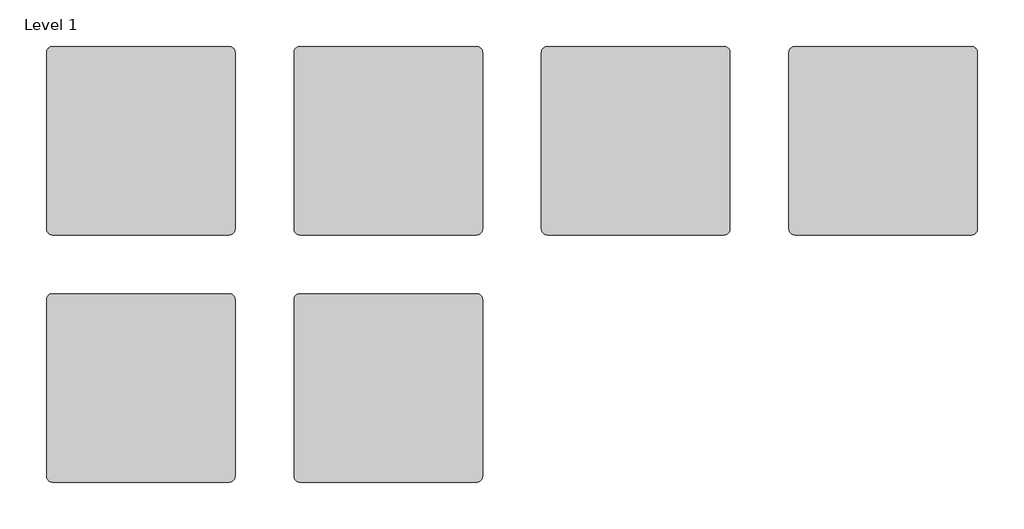
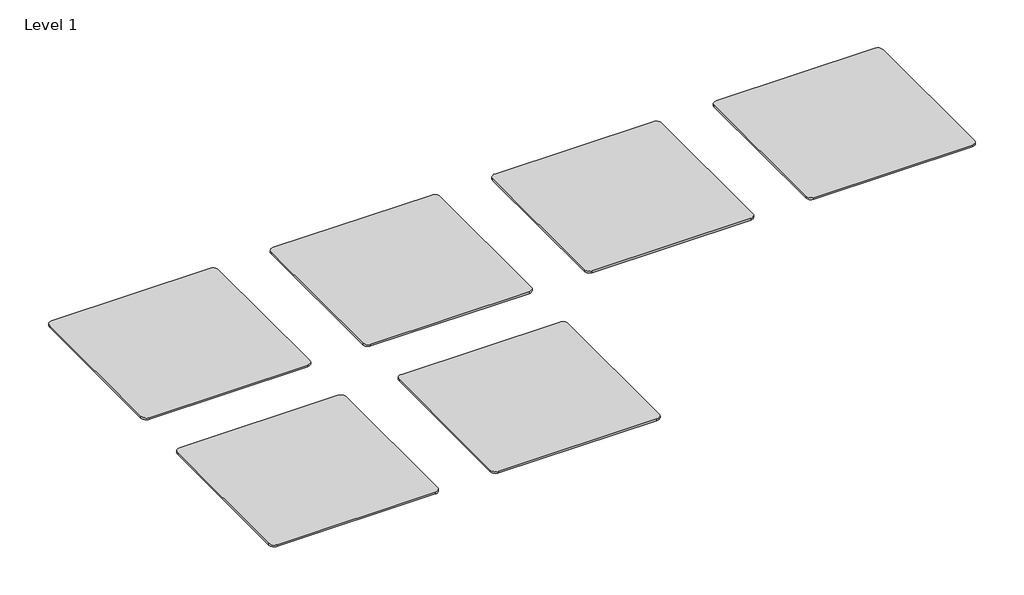
# One storey: 6 proxies.
"""IFC4 building model written with IfcOpenShell, lengths in millimetres."""

import ifcopenshell
import ifcopenshell.guid

model = None  # the IFC model being written
_history = None  # IfcOwnerHistory: only IFC2X3 demands one
_inside = {}  # id of a spatial element -> (the spatial element, [elements in it])
_under = {}  # id of a project, library or spatial element -> (it, [spatial elements below it])
_declared = {}  # id of a project -> (the project, [libraries it declares])
_typed = {}  # id of a type object -> (the type object, [elements of that type])
_made_of = {}  # id of a material, layer set ... -> (it, [elements and type objects made of it])


def new_model(schema):
    """Start an empty IFC model of exactly this schema.

    Asked for "IFC4X3", IfcOpenShell would pick the latest addendum, in which some entities
    have other attributes; the version numbers below select the first issue.
    IFC2X3 requires an IfcOwnerHistory on every rooted entity: one is made here for all.
    """
    global model, _history
    if schema == "IFC4X3":
        model = ifcopenshell.file(schema_version=(4, 3, 0, 0))
    else:
        model = ifcopenshell.file(schema=schema)
    _inside.clear()
    _under.clear()
    _declared.clear()
    _typed.clear()
    _made_of.clear()
    _history = None
    if model.schema == "IFC2X3":
        org = make("IfcOrganization", Name="unknown")
        user = make(
            "IfcPersonAndOrganization",
            ThePerson=make("IfcPerson", FamilyName="unknown"),
            TheOrganization=org,
        )
        app = make(
            "IfcApplication",
            ApplicationDeveloper=org,
            Version="unknown",
            ApplicationFullName="unknown",
            ApplicationIdentifier="unknown",
        )
        _history = make(
            "IfcOwnerHistory",
            OwningUser=user,
            OwningApplication=app,
            ChangeAction="ADDED",
            CreationDate=0,
        )
    return model


def make(cls, **values):
    """One entity of the class cls with the attributes given. An attribute that is None is left unset."""
    return model.create_entity(
        cls, **{name: value for name, value in values.items() if value is not None}
    )


def rooted(cls, **values):
    """An entity with a GlobalId (a new one), such as an element, a storey or a relation."""
    return make(cls, GlobalId=ifcopenshell.guid.new(), OwnerHistory=_history, **values)


def si_unit(unit_type, name, prefix=None):
    """IfcSIUnit, for example si_unit("LENGTHUNIT", "METRE", prefix="MILLI")."""
    return make("IfcSIUnit", UnitType=unit_type, Prefix=prefix, Name=name)


def assignment(units):
    """IfcUnitAssignment: the units of a project."""
    return None if units is None else make("IfcUnitAssignment", Units=units)


def point(xyz):
    """IfcCartesianPoint."""
    return None if xyz is None else make("IfcCartesianPoint", Coordinates=xyz)


def direction(xyz):
    """IfcDirection."""
    return None if xyz is None else make("IfcDirection", DirectionRatios=xyz)


def frame(location, z_axis=None, x_axis=None):
    """IfcAxis2Placement3D, a coordinate frame: its origin and axes. An axis left out is left unset."""
    return make(
        "IfcAxis2Placement3D",
        Location=point(location),
        Axis=direction(z_axis),
        RefDirection=direction(x_axis),
    )


def frame_2d(location, x_axis=None):
    """IfcAxis2Placement2D, a coordinate frame in the plane: its origin and x axis."""
    return make(
        "IfcAxis2Placement2D", Location=point(location), RefDirection=direction(x_axis)
    )


def origin():
    """The frame at (0, 0, 0) with its axes left unset."""
    return frame((0.0, 0.0, 0.0))


def origin_with_axes():
    """The frame at (0, 0, 0) with the z axis (0, 0, 1) and the x axis (1, 0, 0) written out."""
    return frame((0.0, 0.0, 0.0), z_axis=(0.0, 0.0, 1.0), x_axis=(1.0, 0.0, 0.0))


def place(relative_to, where):
    """IfcLocalPlacement: puts the frame where relative to a parent placement (None: the world)."""
    return make(
        "IfcLocalPlacement", PlacementRelTo=relative_to, RelativePlacement=where
    )


def context(
    kind, dimensions, precision=None, world=None, true_north=None, identifier=None
):
    """IfcGeometricRepresentationContext, for example the 3D "Model" context."""
    return make(
        "IfcGeometricRepresentationContext",
        ContextIdentifier=identifier,
        ContextType=kind,
        CoordinateSpaceDimension=dimensions,
        Precision=precision,
        WorldCoordinateSystem=world,
        TrueNorth=true_north,
    )


def project(units=None, contexts=None):
    """IfcProject with its units and contexts."""
    return rooted(
        "IfcProject",
        Name="project",
        RepresentationContexts=contexts,
        UnitsInContext=assignment(units),
    )


def spatial(cls, under=None, at=None, **own):
    """A site, building, storey or space (cls), placed at a placement, below another one or the project."""
    s = rooted(cls, ObjectPlacement=at, **own)
    if under is not None:
        _under.setdefault(under.id(), (under, []))[1].append(s)
    return s


def polyline(points):
    """IfcPolyline through the points."""
    return make("IfcPolyline", Points=[point(p) for p in points])


def circle_curve(where, radius):
    """IfcCircle in the frame where."""
    return make("IfcCircle", Position=where, Radius=radius)


def trimmed(basis, trim1, trim2, sense, master):
    """IfcTrimmedCurve: the piece of a basis curve between two trims."""
    return make(
        "IfcTrimmedCurve",
        BasisCurve=basis,
        Trim1=trim1,
        Trim2=trim2,
        SenseAgreement=sense,
        MasterRepresentation=master,
    )


def segment(curve, same_sense, transition):
    """IfcCompositeCurveSegment."""
    return make(
        "IfcCompositeCurveSegment",
        Transition=transition,
        SameSense=same_sense,
        ParentCurve=curve,
    )


def composite_curve(segments, self_intersect=None):
    """IfcCompositeCurve: segments joined end to end."""
    return make("IfcCompositeCurve", Segments=segments, SelfIntersect=self_intersect)


def outline(outer, holes=None, kind="AREA"):
    """IfcArbitraryClosedProfileDef: a profile drawn as a closed curve; with holes, ...WithVoids."""
    if holes is None:
        return make("IfcArbitraryClosedProfileDef", ProfileType=kind, OuterCurve=outer)
    return make(
        "IfcArbitraryProfileDefWithVoids",
        ProfileType=kind,
        OuterCurve=outer,
        InnerCurves=holes,
    )


def extrude(swept, where, along, depth):
    """IfcExtrudedAreaSolid: the profile swept, set in the frame where, extruded along a direction by depth."""
    return make(
        "IfcExtrudedAreaSolid",
        SweptArea=swept,
        Position=where,
        ExtrudedDirection=direction(along),
        Depth=depth,
    )


def shape(context_of_items, identifier, shape_type, items):
    """IfcShapeRepresentation: the items that make up one representation, for example the "Body"."""
    return make(
        "IfcShapeRepresentation",
        ContextOfItems=context_of_items,
        RepresentationIdentifier=identifier,
        RepresentationType=shape_type,
        Items=items,
    )


def source(mapping_origin, context_of_items, identifier, shape_type, items):
    """IfcRepresentationMap: a shape defined once, which mapped items show again and again."""
    return make(
        "IfcRepresentationMap",
        MappingOrigin=mapping_origin,
        MappedRepresentation=shape(context_of_items, identifier, shape_type, items),
    )


def transform(
    local_origin,
    x_axis=None,
    y_axis=None,
    z_axis=None,
    scale=None,
    scale2=None,
    scale3=None,
    uniform=True,
):
    """IfcCartesianTransformationOperator3D, or its non-uniform kind. x_axis, y_axis, z_axis: its Axis1, 2, 3."""
    if uniform:
        return make(
            "IfcCartesianTransformationOperator3D",
            Axis1=direction(x_axis),
            Axis2=direction(y_axis),
            LocalOrigin=point(local_origin),
            Scale=scale,
            Axis3=direction(z_axis),
        )
    return make(
        "IfcCartesianTransformationOperator3DnonUniform",
        Axis1=direction(x_axis),
        Axis2=direction(y_axis),
        LocalOrigin=point(local_origin),
        Scale=scale,
        Axis3=direction(z_axis),
        Scale2=scale2,
        Scale3=scale3,
    )


def mapped(mapping_source, mapping_target):
    """IfcMappedItem: shows the shape of a source again, moved by a transform."""
    return make(
        "IfcMappedItem", MappingSource=mapping_source, MappingTarget=mapping_target
    )


def made_of(thing, what):
    """Note that an element or type object is made of a material, layer set ...; save() writes the relation."""
    if what is not None:
        _made_of.setdefault(what.id(), (what, []))[1].append(thing)
    return thing


def element(
    cls,
    number,
    at=None,
    inside=None,
    cuts=None,
    type_object=None,
    material=None,
    context=None,
    identifier="Body",
    shape_type=None,
    held_by="IfcProductDefinitionShape",
    body=None,
    shapes=None,
    **own,
):
    """One element of the class cls, such as IfcWall. Its Tag is "e" and its number.

    at: its placement. inside: the storey or other place that contains it. cuts: it is an
    opening in that element (IfcRelVoidsElement). A single representation is given by context,
    identifier, shape_type and body (its items); several are given by shapes. held_by: the class
    of the entity that holds the representations. save() writes the other relations.
    """
    e = rooted(cls, Tag="e%d" % number, ObjectPlacement=at, **own)
    if body is not None:
        shapes = [shape(context, identifier, shape_type, body)]
    if shapes is not None:
        e.Representation = make(held_by, Representations=shapes)
    if inside is not None:
        _inside.setdefault(inside.id(), (inside, []))[1].append(e)
    if cuts is not None:
        rooted(
            "IfcRelVoidsElement", RelatingBuildingElement=cuts, RelatedOpeningElement=e
        )
    if type_object is not None:
        _typed.setdefault(type_object.id(), (type_object, []))[1].append(e)
    return made_of(e, material)


def aggregate(whole, parts):
    """IfcRelAggregates: a whole, such as a stair, and the parts it consists of."""
    return rooted("IfcRelAggregates", RelatingObject=whole, RelatedObjects=parts)


def save(model, path):
    """Write the relations noted so far, then the file.

    IfcRelAggregates (storeys below a building ...), IfcRelContainedInSpatialStructure (elements
    in a storey), IfcRelDefinesByType, IfcRelAssociatesMaterial and IfcRelDeclares: one each for
    every whole, place, type object, material and project.
    """
    for whole, parts in _under.values():
        aggregate(whole, parts)
    for where, things in _inside.values():
        rooted(
            "IfcRelContainedInSpatialStructure",
            RelatedElements=things,
            RelatingStructure=where,
        )
    for kind, things in _typed.values():
        rooted("IfcRelDefinesByType", RelatedObjects=things, RelatingType=kind)
    for what, things in _made_of.values():
        rooted("IfcRelAssociatesMaterial", RelatedObjects=things, RelatingMaterial=what)
    for by, libraries in _declared.values():
        rooted("IfcRelDeclares", RelatingContext=by, RelatedDefinitions=libraries)
    model.write(path)


def materialsample_type_1_aebe469f(model_context):
    return source(origin(), model_context, "Body", "SweptSolid", [
        extrude(outline(composite_curve([segment(polyline([(2362.2, 0.0), (76.2, 0.0)]), True, "CONTINUOUS"), segment(trimmed(circle_curve(frame_2d((76.2, 76.2)), 76.2), [point((76.2, 0.0))], [point((0.0, 76.2))], False, "CARTESIAN"), True, "CONTINUOUS"), segment(polyline([(0.0, 76.2), (0.0, 2362.2)]), True, "CONTINUOUS"), segment(trimmed(circle_curve(frame_2d((76.2, 2362.2)), 76.2), [point((0.0, 2362.2))], [point((76.2, 2438.4))], False, "CARTESIAN"), True, "CONTINUOUS"), segment(polyline([(76.2, 2438.4), (2362.2, 2438.4)]), True, "CONTINUOUS"), segment(trimmed(circle_curve(frame_2d((2362.2, 2362.2)), 76.2), [point((2362.2, 2438.4))], [point((2438.4, 2362.2))], False, "CARTESIAN"), True, "CONTINUOUS"), segment(polyline([(2438.4, 2362.2), (2438.4, 76.2)]), True, "CONTINUOUS"), segment(trimmed(circle_curve(frame_2d((2362.2, 76.2)), 76.2), [point((2438.4, 76.2))], [point((2362.2, 0.0))], False, "CARTESIAN"), True, "CONTINUOUS")], self_intersect=False)), origin_with_axes(), (0.0, 0.0, 1.0), 25.4),
    ])


model = new_model("IFC4")

# Units and contexts
model_context = context("Model", 3, world=origin())
ifc_project = project(units=[si_unit("LENGTHUNIT", "METRE", prefix="MILLI")], contexts=[model_context])

# Site, building, storey
site = spatial("IfcSite", under=ifc_project)
building = spatial("IfcBuilding", under=site)
storey = spatial("IfcBuildingStorey", under=building, Name="Level 1", Elevation=0.0)

# Proxies
placement = place(None, origin())
materialsample_type_1_shape = materialsample_type_1_aebe469f(model_context)
element("IfcBuildingElementProxy", 1, Name="MaterialSample : Type 1", ObjectType="MaterialSample : Type 1", at=placement, inside=storey, context=model_context, shape_type="MappedRepresentation", body=[
    mapped(materialsample_type_1_shape, transform((0.0, 0.0, 0.0), x_axis=(1.0, 0.0, 0.0), y_axis=(0.0, 1.0, 0.0), z_axis=(0.0, 0.0, 1.0))),
])
element("IfcBuildingElementProxy", 2, Name="MaterialSample : Type 1", ObjectType="MaterialSample : Type 1", at=placement, inside=storey, context=model_context, shape_type="MappedRepresentation", body=[
    mapped(materialsample_type_1_shape, transform((0.0, -3200.4, 0.0), x_axis=(1.0, 0.0, 0.0), y_axis=(0.0, 1.0, 0.0), z_axis=(0.0, 0.0, 1.0))),
])
element("IfcBuildingElementProxy", 3, Name="MaterialSample : Type 1", ObjectType="MaterialSample : Type 1", at=placement, inside=storey, context=model_context, shape_type="MappedRepresentation", body=[
    mapped(materialsample_type_1_shape, transform((9601.2, 0.0, 0.0), x_axis=(1.0, 0.0, 0.0), y_axis=(0.0, 1.0, 0.0), z_axis=(0.0, 0.0, 1.0))),
])
element("IfcBuildingElementProxy", 4, Name="MaterialSample : Type 1", ObjectType="MaterialSample : Type 1", at=placement, inside=storey, context=model_context, shape_type="MappedRepresentation", body=[
    mapped(materialsample_type_1_shape, transform((3200.4, 0.0, 0.0), x_axis=(1.0, 0.0, 0.0), y_axis=(0.0, 1.0, 0.0), z_axis=(0.0, 0.0, 1.0))),
])
element("IfcBuildingElementProxy", 5, Name="MaterialSample : Type 1", ObjectType="MaterialSample : Type 1", at=placement, inside=storey, context=model_context, shape_type="MappedRepresentation", body=[
    mapped(materialsample_type_1_shape, transform((6400.8, 0.0, 0.0), x_axis=(1.0, 0.0, 0.0), y_axis=(0.0, 1.0, 0.0), z_axis=(0.0, 0.0, 1.0))),
])
element("IfcBuildingElementProxy", 6, Name="MaterialSample : Type 1", ObjectType="MaterialSample : Type 1", at=placement, inside=storey, context=model_context, shape_type="MappedRepresentation", body=[
    mapped(materialsample_type_1_shape, transform((3200.4, -3200.4, 0.0), x_axis=(1.0, 0.0, 0.0), y_axis=(0.0, 1.0, 0.0), z_axis=(0.0, 0.0, 1.0))),
])

save(model, "model.ifc")
